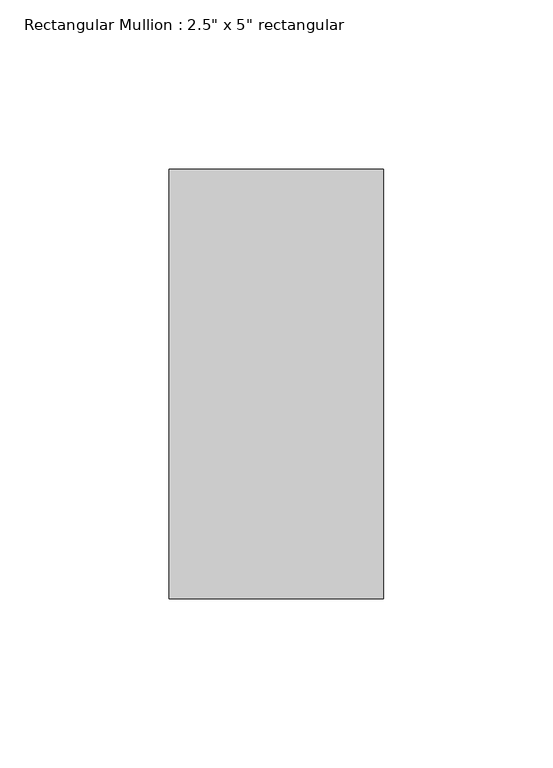
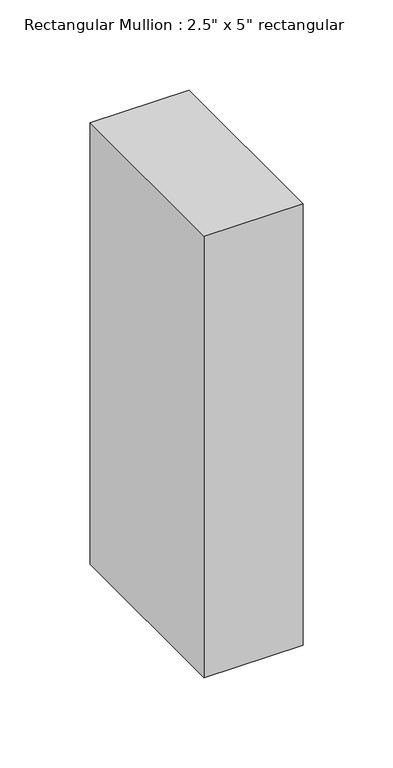
"""IFC4 building model written with IfcOpenShell, lengths in millimetres: member geometry."""

from ifc_helpers import new_model, si_unit, frame, origin, place, context, project, spatial, polyline, outline, extrude, source, transform, mapped, element, save


def member_2185dbf4(model_context):
    return source(origin(), model_context, "Body", "SweptSolid", [
        extrude(outline(polyline([(31.75, 63.5), (31.75, -63.5), (-31.75, -63.5), (-31.75, 63.5), (31.75, 63.5)])), frame((0.0, 0.0, -299.4135094), z_axis=(0.0, 0.0, 1.0), x_axis=(1.0, 0.0, 0.0)), (0.0, 0.0, 1.0), 299.4135094),
    ])


if __name__ == "__main__":
    model = new_model("IFC4")
    model_context = context("Model", 3, world=origin())
    ifc_project = project(units=[si_unit("LENGTHUNIT", "METRE", prefix="MILLI")], contexts=[model_context])
    site = spatial("IfcSite", under=ifc_project)
    building = spatial("IfcBuilding", under=site)
    placement = place(None, origin())
    member_shape = member_2185dbf4(model_context)
    element("IfcMember", 1, ObjectType="Rectangular Mullion : 2.5\" x 5\" rectangular", at=placement, inside=building, context=model_context, shape_type="MappedRepresentation", body=[
        mapped(member_shape, transform((0.0, 0.0, 0.0), x_axis=(1.0, 0.0, 0.0), y_axis=(0.0, 1.0, 0.0), z_axis=(0.0, 0.0, 1.0))),
    ])
    save(model, "model.ifc")
